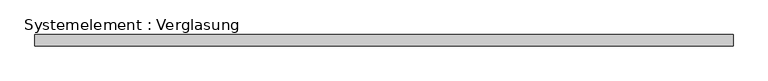
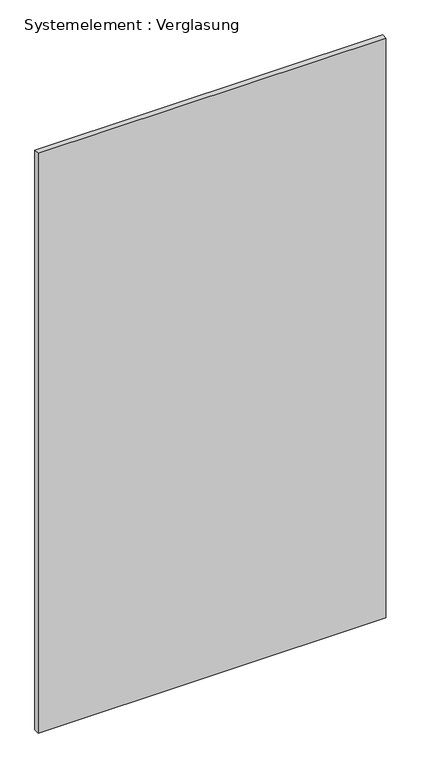
"""IFC4 building model written with IfcOpenShell, lengths in millimetres: plate geometry, Systemelement : Verglasung."""

from ifc_helpers import new_model, si_unit, origin, origin_with_axes, place, context, project, spatial, polyline, outline, extrude, source, transform, mapped, element, save


def systemelement_verglasung_ce855eb2(model_context):
    return source(origin(), model_context, "Body", "SweptSolid", [
        extrude(outline(polyline([(933.2094797, -15.0), (-933.2094797, -15.0), (-933.2094797, 15.0), (933.2094797, 15.0), (933.2094797, -15.0)])), origin_with_axes(), (0.0, 0.0, 1.0), 3290.0),
    ])


if __name__ == "__main__":
    model = new_model("IFC4")
    model_context = context("Model", 3, world=origin())
    ifc_project = project(units=[si_unit("LENGTHUNIT", "METRE", prefix="MILLI")], contexts=[model_context])
    site = spatial("IfcSite", under=ifc_project)
    building = spatial("IfcBuilding", under=site)
    placement = place(None, origin())
    systemelement_verglasung_shape = systemelement_verglasung_ce855eb2(model_context)
    element("IfcPlate", 1, ObjectType="Systemelement : Verglasung", at=placement, inside=building, context=model_context, shape_type="MappedRepresentation", body=[
        mapped(systemelement_verglasung_shape, transform((0.0, 0.0, 0.0), x_axis=(1.0, 0.0, 0.0), y_axis=(0.0, 1.0, 0.0), z_axis=(0.0, 0.0, 1.0))),
    ])
    save(model, "model.ifc")
